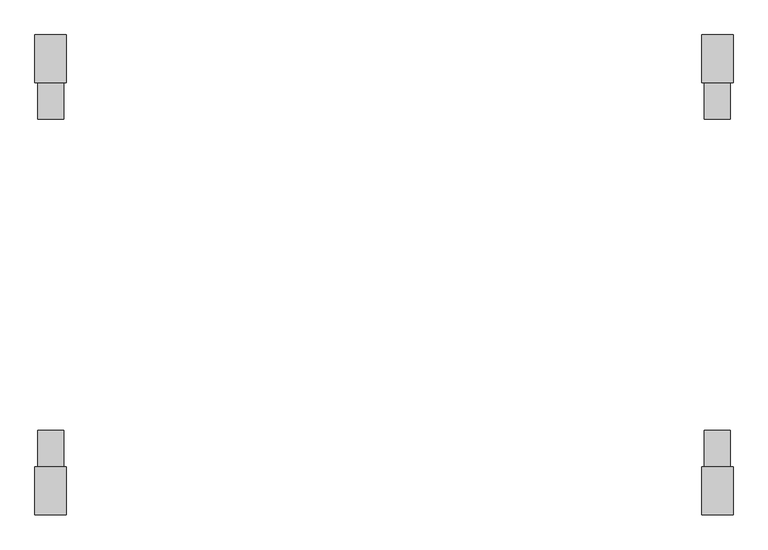
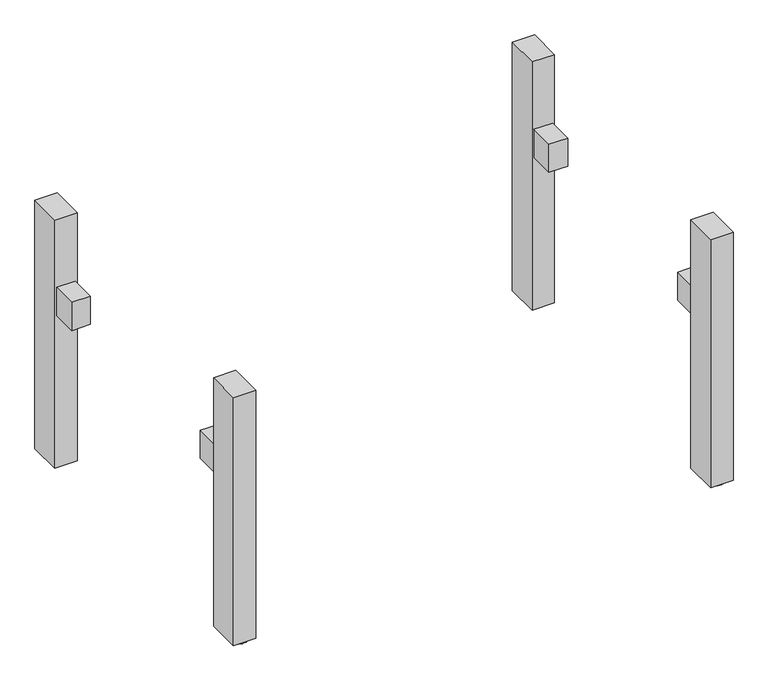
"""IFC4 building model written with IfcOpenShell, lengths in millimetres: furniture geometry."""

from ifc_helpers import new_model, si_unit, point, frame, frame_2d, origin, origin_with_axes, place, context, project, spatial, polyline, circle_curve, trimmed, segment, composite_curve, outline, extrude, source, transform, mapped, element, save


def furniture_81b59669(model_context):
    return source(origin(), model_context, "Body", "SweptSolid", [
        extrude(outline(polyline([(-665.0, -369.0), (-665.0, -299.0), (-615.0, -299.0), (-615.0, -369.0), (-665.0, -369.0)])), frame((0.0, 0.0, 437.5), z_axis=(0.0, 0.0, 1.0), x_axis=(1.0, 0.0, 0.0)), (0.0, 0.0, 1.0), 80.0),
        extrude(outline(polyline([(615.0, -369.0), (615.0, -299.0), (665.0, -299.0), (665.0, -369.0), (615.0, -369.0)])), frame((0.0, 0.0, 437.5), z_axis=(0.0, 0.0, 1.0), x_axis=(1.0, 0.0, 0.0)), (0.0, 0.0, 1.0), 80.0),
        extrude(outline(polyline([(-615.0, 369.0), (-615.0, 299.0), (-665.0, 299.0), (-665.0, 369.0), (-615.0, 369.0)])), frame((0.0, 0.0, 437.5), z_axis=(0.0, 0.0, 1.0), x_axis=(1.0, 0.0, 0.0)), (0.0, 0.0, 1.0), 80.0),
        extrude(outline(polyline([(665.0, 369.0), (665.0, 299.0), (615.0, 299.0), (615.0, 369.0), (665.0, 369.0)])), frame((0.0, 0.0, 437.5), z_axis=(0.0, 0.0, 1.0), x_axis=(1.0, 0.0, 0.0)), (0.0, 0.0, 1.0), 80.0),
        extrude(outline(composite_curve([segment(trimmed(circle_curve(frame_2d((-639.9999984, -431.0)), 25.0), [point((-664.9999984, -431.0))], [point((-614.9999984, -431.0))], False, "CARTESIAN"), True, "CONTINUOUS"), segment(trimmed(circle_curve(frame_2d((-639.9999984, -431.0)), 25.0), [point((-614.9999984, -431.0))], [point((-664.9999984, -431.0))], False, "CARTESIAN"), True, "CONTINUOUS")], self_intersect=False)), origin_with_axes(), (0.0, 0.0, 1.0), 6.0),
        extrude(outline(composite_curve([segment(trimmed(circle_curve(frame_2d((639.9999984, -431.0)), 25.0), [point((614.9999984, -431.0))], [point((664.9999984, -431.0))], False, "CARTESIAN"), True, "CONTINUOUS"), segment(trimmed(circle_curve(frame_2d((639.9999984, -431.0)), 25.0), [point((664.9999984, -431.0))], [point((614.9999984, -431.0))], False, "CARTESIAN"), True, "CONTINUOUS")], self_intersect=False)), origin_with_axes(), (0.0, 0.0, 1.0), 6.0),
        extrude(outline(composite_curve([segment(trimmed(circle_curve(frame_2d((-639.9999984, 431.0)), 25.0), [point((-664.9999984, 431.0))], [point((-614.9999984, 431.0))], False, "CARTESIAN"), True, "CONTINUOUS"), segment(trimmed(circle_curve(frame_2d((-639.9999984, 431.0)), 25.0), [point((-614.9999984, 431.0))], [point((-664.9999984, 431.0))], False, "CARTESIAN"), True, "CONTINUOUS")], self_intersect=False)), origin_with_axes(), (0.0, 0.0, 1.0), 6.0),
        extrude(outline(composite_curve([segment(trimmed(circle_curve(frame_2d((639.9999984, 431.0)), 25.0), [point((614.9999984, 431.0))], [point((664.9999984, 431.0))], False, "CARTESIAN"), True, "CONTINUOUS"), segment(trimmed(circle_curve(frame_2d((639.9999984, 431.0)), 25.0), [point((664.9999984, 431.0))], [point((614.9999984, 431.0))], False, "CARTESIAN"), True, "CONTINUOUS")], self_intersect=False)), origin_with_axes(), (0.0, 0.0, 1.0), 6.0),
        extrude(outline(polyline([(-609.9999968, 461.0), (-609.9999968, 369.0), (-670.0, 369.0), (-670.0, 461.0), (-609.9999968, 461.0)])), frame((0.0, 0.0, 6.0), z_axis=(0.0, 0.0, 1.0), x_axis=(1.0, 0.0, 0.0)), (0.0, 0.0, 1.0), 704.0),
        extrude(outline(polyline([(609.9999968, 461.0), (670.0, 461.0), (670.0, 369.0), (609.9999968, 369.0), (609.9999968, 461.0)])), frame((0.0, 0.0, 6.0), z_axis=(0.0, 0.0, 1.0), x_axis=(1.0, 0.0, 0.0)), (0.0, 0.0, 1.0), 704.0),
        extrude(outline(polyline([(-609.9999968, -461.0), (-670.0, -461.0), (-670.0, -369.0), (-609.9999968, -369.0), (-609.9999968, -461.0)])), frame((0.0, 0.0, 6.0), z_axis=(0.0, 0.0, 1.0), x_axis=(1.0, 0.0, 0.0)), (0.0, 0.0, 1.0), 704.0),
        extrude(outline(polyline([(609.9999968, -461.0), (609.9999968, -369.0), (670.0, -369.0), (670.0, -461.0), (609.9999968, -461.0)])), frame((0.0, 0.0, 6.0), z_axis=(0.0, 0.0, 1.0), x_axis=(1.0, 0.0, 0.0)), (0.0, 0.0, 1.0), 704.0),
    ])


if __name__ == "__main__":
    model = new_model("IFC4")
    model_context = context("Model", 3, world=origin())
    ifc_project = project(units=[si_unit("LENGTHUNIT", "METRE", prefix="MILLI")], contexts=[model_context])
    site = spatial("IfcSite", under=ifc_project)
    building = spatial("IfcBuilding", under=site)
    placement = place(None, origin())
    furniture_shape = furniture_81b59669(model_context)
    element("IfcFurniture", 1, at=placement, inside=building, context=model_context, shape_type="MappedRepresentation", body=[
        mapped(furniture_shape, transform((0.0, 0.0, 0.0), x_axis=(1.0, 0.0, 0.0), y_axis=(0.0, 1.0, 0.0), z_axis=(0.0, 0.0, 1.0))),
    ])
    save(model, "model.ifc")
